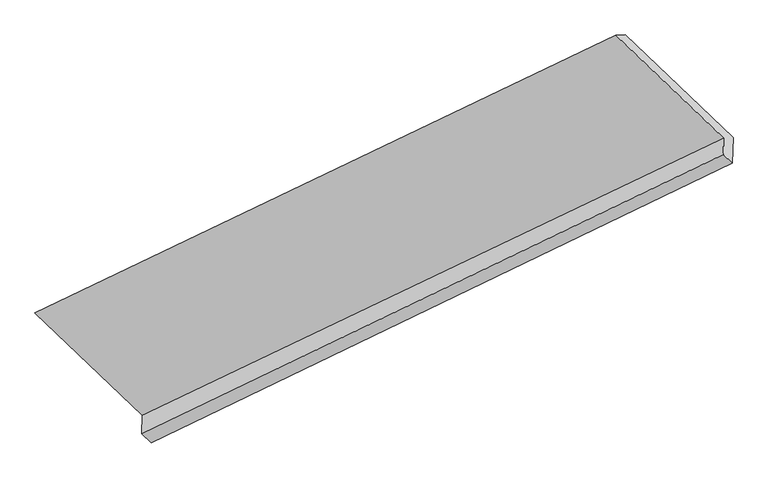
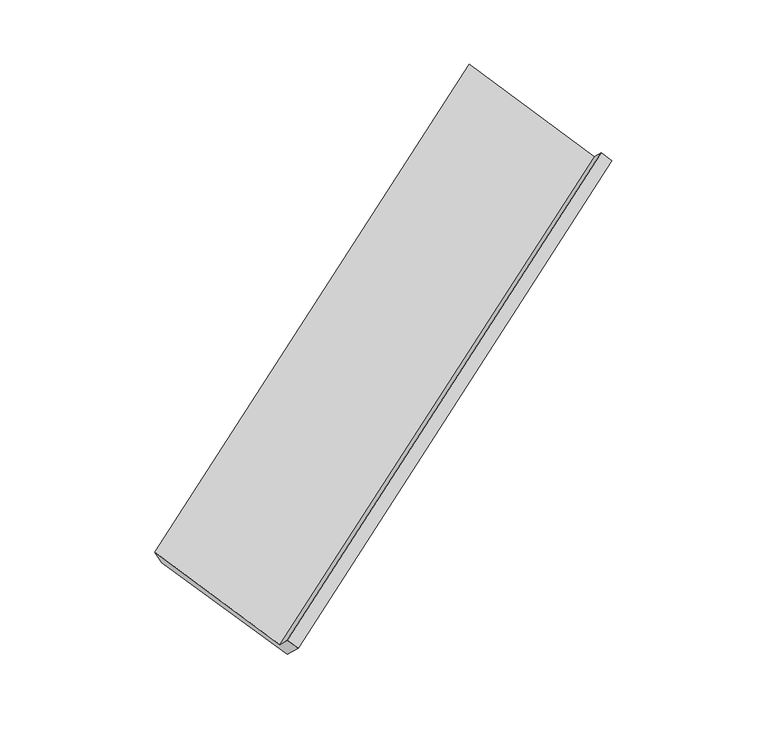
"""IFC4 building model written with IfcOpenShell, lengths in millimetres: proxy geometry."""

from ifc_helpers import new_model, si_unit, frame, origin, place, context, project, spatial, source, transform, mapped, element, save
from ifc_brep_helpers import plane_surface, spline_surface, advanced_brep


def generic_models_d4070223(model_context):
    return source(origin(), model_context, "Body", "AdvancedBrep", [
        advanced_brep(
        [(-4635.7677362, -2640.1904068, 609.0122872), (-4639.6437949, -2768.3638384, 729.45555), (-660.2580318, -854.5007091, 2894.2134355), (-656.8472493, -741.7130219, 2788.2279995), (-5371.7406446, -1937.8250626, 1332.7713439), (-1395.2944859, -36.9863376, 3514.4203217), (-5305.9371276, -1928.0889799, 1203.908224), (-1329.7086686, -34.4491428, 3392.3219231), (-4570.2869646, -2645.7499221, 494.266799), (-592.7925153, -737.7146594, 2667.6352751), (-4575.83637, -2829.2575525, 666.7070424), (-598.1175735, -913.8035773, 2833.1042303)],
        [
            (0, 1),
            (1, 2),
            (2, 3),
            (3, 0),
            (4, 0),
            (3, 5),
            (5, 4),
            (6, 4),
            (5, 7),
            (7, 6),
            (8, 6),
            (7, 9),
            (9, 8),
            (10, 8),
            (9, 11),
            (11, 10),
            (1, 10),
            (11, 2),
        ],
        [
            plane_surface(frame((-4637.7057655, -2704.2771226, 669.2339186), z_axis=(-0.5871429665611896, 0.5636845509913505, 0.5809671796163751), x_axis=(-0.02203229769446257, -0.72856358591514, 0.6846237500531039))),
            plane_surface(frame((-5003.7541904, -2289.0077347, 970.8918156), z_axis=(-0.0254993572306543, -0.730234917150334, 0.6827201099684032), x_axis=(0.589476610648584, -0.5625586727657592, -0.5796939409673738))),
            spline_surface(1, 1, [[(-5305.9371276, -1928.0889799, 1203.908224), (-1329.7086686, -34.4491428, 3392.3219231)], [(-5371.7406446, -1937.8250626, 1332.7713439), (-1395.2944859, -36.9863376, 3514.4203217)]], [2, 2], [2, 2], [0.0, 1.0], [0.0, 1.0]),
            spline_surface(1, 1, [[(-4570.2869646, -2645.7499221, 494.266799), (-592.7925153, -737.7146594, 2667.6352751)], [(-5305.9371276, -1928.0889799, 1203.908224), (-1329.7086686, -34.4491428, 3392.3219231)]], [2, 2], [2, 2], [0.0, 1.0], [0.0, 1.0]),
            plane_surface(frame((-4573.0616673, -2737.5037373, 580.4869207), z_axis=(0.5876081737028196, -0.5634606724736653, -0.5807139612349285), x_axis=(0.02203229769446206, 0.7285635859151396, -0.6846237500531044))),
            plane_surface(frame((-4607.7400824, -2798.8106955, 698.0812962), z_axis=(-0.02203207854458561, -0.7285634798533376, 0.684623869974602), x_axis=(0.5894766106485853, -0.5625586727657739, -0.5796939409673585))),
            plane_surface(frame((-872.1697541, -553.1945747, 3014.9871975), z_axis=(0.8074849245382598, 0.39079769827179317, 0.4418656534161822), x_axis=(-0.5894766106485864, 0.562558672765762, 0.5796939409673688))),
            plane_surface(frame((-4849.868773, -2458.2459604, 839.3535411), z_axis=(-0.8074849245382552, -0.3907976982717621, -0.44186565341621836), x_axis=(0.022032297694463982, 0.7285635859151401, -0.6846237500531039))),
        ],
        [
            (0, [[1, 2, 3, 4]]),
            (1, [[5, -4, 6, 7]]),
            (2, [[8, -7, 9, 10]]),
            (3, [[11, -10, 12, 13]]),
            (4, [[14, -13, 15, 16]]),
            (5, [[17, -16, 18, -2]]),
            (6, [[-12, -9, -6, -3, -18, -15]]),
            (7, [[-1, -5, -8, -11, -14, -17]]),
        ],
    ),
    ])


if __name__ == "__main__":
    model = new_model("IFC4")
    model_context = context("Model", 3, world=origin())
    ifc_project = project(units=[si_unit("LENGTHUNIT", "METRE", prefix="MILLI")], contexts=[model_context])
    site = spatial("IfcSite", under=ifc_project)
    building = spatial("IfcBuilding", under=site)
    placement = place(None, origin())
    generic_models_shape = generic_models_d4070223(model_context)
    element("IfcBuildingElementProxy", 1, Name="Generic Models", at=placement, inside=building, context=model_context, shape_type="MappedRepresentation", body=[
        mapped(generic_models_shape, transform((0.0, 0.0, 0.0), x_axis=(1.0, 0.0, 0.0), y_axis=(0.0, 1.0, 0.0), z_axis=(0.0, 0.0, 1.0))),
    ])
    save(model, "model.ifc")
